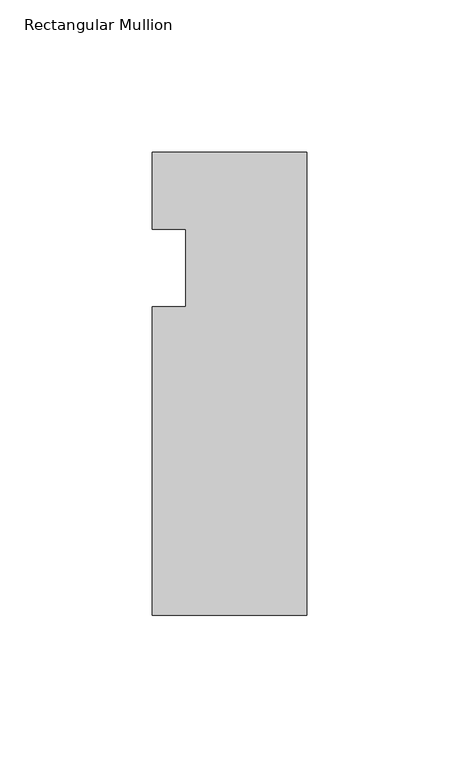
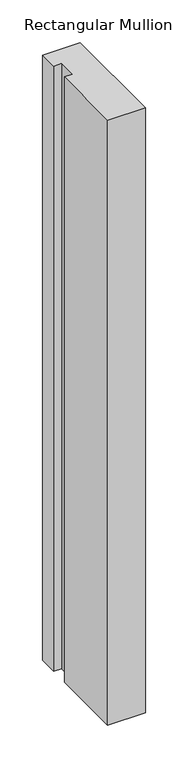
"""IFC4 building model written with IfcOpenShell, lengths in millimetres: member geometry, Rectangular Mullion."""

from ifc_helpers import new_model, si_unit, frame, origin, place, context, project, spatial, polyline, outline, extrude, source, transform, mapped, element, save


def rectangular_mullion_7da305c2(model_context):
    return source(origin(), model_context, "Body", "SweptSolid", [
        extrude(outline(polyline([(0.0, 0.0), (0.0, -152.4), (-50.8, -152.4), (-50.8, -50.8), (-39.798625, -50.8), (-39.798625, -25.4), (-50.8, -25.4), (-50.8, 0.0), (0.0, 0.0)])), frame((0.0, 0.0, -863.6), z_axis=(0.0, 0.0, 1.0), x_axis=(1.0, 0.0, 0.0)), (0.0, 0.0, 1.0), 863.6),
    ])


if __name__ == "__main__":
    model = new_model("IFC4")
    model_context = context("Model", 3, world=origin())
    ifc_project = project(units=[si_unit("LENGTHUNIT", "METRE", prefix="MILLI")], contexts=[model_context])
    site = spatial("IfcSite", under=ifc_project)
    building = spatial("IfcBuilding", under=site)
    placement = place(None, origin())
    rectangular_mullion_shape = rectangular_mullion_7da305c2(model_context)
    element("IfcMember", 1, ObjectType="Rectangular Mullion", at=placement, inside=building, context=model_context, shape_type="MappedRepresentation", body=[
        mapped(rectangular_mullion_shape, transform((0.0, 0.0, 0.0), x_axis=(1.0, 0.0, 0.0), y_axis=(0.0, 1.0, 0.0), z_axis=(0.0, 0.0, 1.0))),
    ])
    save(model, "model.ifc")
